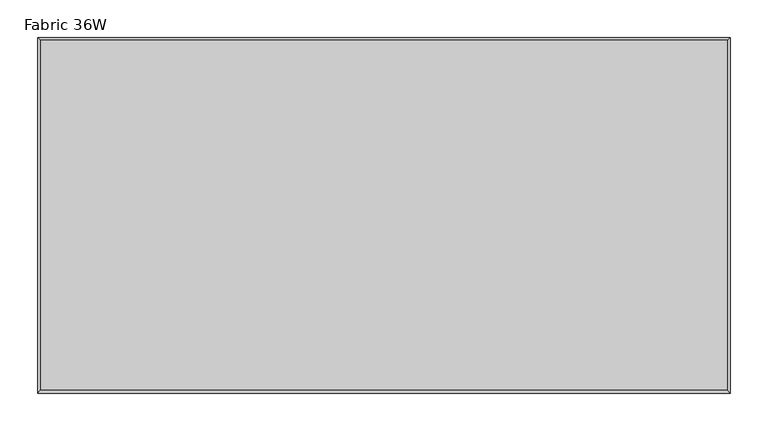
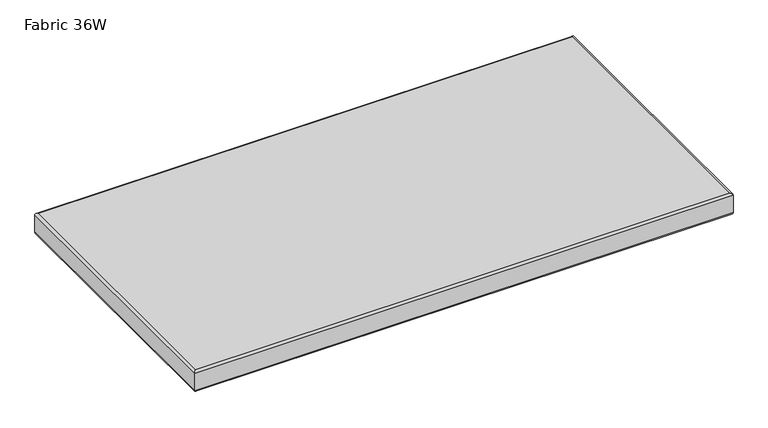
"""IFC4 building model written with IfcOpenShell, lengths in millimetres: furniture geometry, Fabric 36W."""

import ifcopenshell
import ifcopenshell.guid

model = None  # the IFC model being written
_history = None  # IfcOwnerHistory: only IFC2X3 demands one
_inside = {}  # id of a spatial element -> (the spatial element, [elements in it])
_under = {}  # id of a project, library or spatial element -> (it, [spatial elements below it])
_declared = {}  # id of a project -> (the project, [libraries it declares])
_typed = {}  # id of a type object -> (the type object, [elements of that type])
_made_of = {}  # id of a material, layer set ... -> (it, [elements and type objects made of it])


def new_model(schema):
    """Start an empty IFC model of exactly this schema.

    Asked for "IFC4X3", IfcOpenShell would pick the latest addendum, in which some entities
    have other attributes; the version numbers below select the first issue.
    IFC2X3 requires an IfcOwnerHistory on every rooted entity: one is made here for all.
    """
    global model, _history
    if schema == "IFC4X3":
        model = ifcopenshell.file(schema_version=(4, 3, 0, 0))
    else:
        model = ifcopenshell.file(schema=schema)
    _inside.clear()
    _under.clear()
    _declared.clear()
    _typed.clear()
    _made_of.clear()
    _history = None
    if model.schema == "IFC2X3":
        org = make("IfcOrganization", Name="unknown")
        user = make(
            "IfcPersonAndOrganization",
            ThePerson=make("IfcPerson", FamilyName="unknown"),
            TheOrganization=org,
        )
        app = make(
            "IfcApplication",
            ApplicationDeveloper=org,
            Version="unknown",
            ApplicationFullName="unknown",
            ApplicationIdentifier="unknown",
        )
        _history = make(
            "IfcOwnerHistory",
            OwningUser=user,
            OwningApplication=app,
            ChangeAction="ADDED",
            CreationDate=0,
        )
    return model


def make(cls, **values):
    """One entity of the class cls with the attributes given. An attribute that is None is left unset."""
    return model.create_entity(
        cls, **{name: value for name, value in values.items() if value is not None}
    )


def rooted(cls, **values):
    """An entity with a GlobalId (a new one), such as an element, a storey or a relation."""
    return make(cls, GlobalId=ifcopenshell.guid.new(), OwnerHistory=_history, **values)


def si_unit(unit_type, name, prefix=None):
    """IfcSIUnit, for example si_unit("LENGTHUNIT", "METRE", prefix="MILLI")."""
    return make("IfcSIUnit", UnitType=unit_type, Prefix=prefix, Name=name)


def assignment(units):
    """IfcUnitAssignment: the units of a project."""
    return None if units is None else make("IfcUnitAssignment", Units=units)


def point(xyz):
    """IfcCartesianPoint."""
    return None if xyz is None else make("IfcCartesianPoint", Coordinates=xyz)


def direction(xyz):
    """IfcDirection."""
    return None if xyz is None else make("IfcDirection", DirectionRatios=xyz)


def frame(location, z_axis=None, x_axis=None):
    """IfcAxis2Placement3D, a coordinate frame: its origin and axes. An axis left out is left unset."""
    return make(
        "IfcAxis2Placement3D",
        Location=point(location),
        Axis=direction(z_axis),
        RefDirection=direction(x_axis),
    )


def origin():
    """The frame at (0, 0, 0) with its axes left unset."""
    return frame((0.0, 0.0, 0.0))


def place(relative_to, where):
    """IfcLocalPlacement: puts the frame where relative to a parent placement (None: the world)."""
    return make(
        "IfcLocalPlacement", PlacementRelTo=relative_to, RelativePlacement=where
    )


def context(
    kind, dimensions, precision=None, world=None, true_north=None, identifier=None
):
    """IfcGeometricRepresentationContext, for example the 3D "Model" context."""
    return make(
        "IfcGeometricRepresentationContext",
        ContextIdentifier=identifier,
        ContextType=kind,
        CoordinateSpaceDimension=dimensions,
        Precision=precision,
        WorldCoordinateSystem=world,
        TrueNorth=true_north,
    )


def project(units=None, contexts=None):
    """IfcProject with its units and contexts."""
    return rooted(
        "IfcProject",
        Name="project",
        RepresentationContexts=contexts,
        UnitsInContext=assignment(units),
    )


def spatial(cls, under=None, at=None, **own):
    """A site, building, storey or space (cls), placed at a placement, below another one or the project."""
    s = rooted(cls, ObjectPlacement=at, **own)
    if under is not None:
        _under.setdefault(under.id(), (under, []))[1].append(s)
    return s


def ellipse_curve(where, semi_axis1, semi_axis2):
    """IfcEllipse in the frame where."""
    return make(
        "IfcEllipse", Position=where, SemiAxis1=semi_axis1, SemiAxis2=semi_axis2
    )


def shape(context_of_items, identifier, shape_type, items):
    """IfcShapeRepresentation: the items that make up one representation, for example the "Body"."""
    return make(
        "IfcShapeRepresentation",
        ContextOfItems=context_of_items,
        RepresentationIdentifier=identifier,
        RepresentationType=shape_type,
        Items=items,
    )


def source(mapping_origin, context_of_items, identifier, shape_type, items):
    """IfcRepresentationMap: a shape defined once, which mapped items show again and again."""
    return make(
        "IfcRepresentationMap",
        MappingOrigin=mapping_origin,
        MappedRepresentation=shape(context_of_items, identifier, shape_type, items),
    )


def transform(
    local_origin,
    x_axis=None,
    y_axis=None,
    z_axis=None,
    scale=None,
    scale2=None,
    scale3=None,
    uniform=True,
):
    """IfcCartesianTransformationOperator3D, or its non-uniform kind. x_axis, y_axis, z_axis: its Axis1, 2, 3."""
    if uniform:
        return make(
            "IfcCartesianTransformationOperator3D",
            Axis1=direction(x_axis),
            Axis2=direction(y_axis),
            LocalOrigin=point(local_origin),
            Scale=scale,
            Axis3=direction(z_axis),
        )
    return make(
        "IfcCartesianTransformationOperator3DnonUniform",
        Axis1=direction(x_axis),
        Axis2=direction(y_axis),
        LocalOrigin=point(local_origin),
        Scale=scale,
        Axis3=direction(z_axis),
        Scale2=scale2,
        Scale3=scale3,
    )


def mapped(mapping_source, mapping_target):
    """IfcMappedItem: shows the shape of a source again, moved by a transform."""
    return make(
        "IfcMappedItem", MappingSource=mapping_source, MappingTarget=mapping_target
    )


def made_of(thing, what):
    """Note that an element or type object is made of a material, layer set ...; save() writes the relation."""
    if what is not None:
        _made_of.setdefault(what.id(), (what, []))[1].append(thing)
    return thing


def element(
    cls,
    number,
    at=None,
    inside=None,
    cuts=None,
    type_object=None,
    material=None,
    context=None,
    identifier="Body",
    shape_type=None,
    held_by="IfcProductDefinitionShape",
    body=None,
    shapes=None,
    **own,
):
    """One element of the class cls, such as IfcWall. Its Tag is "e" and its number.

    at: its placement. inside: the storey or other place that contains it. cuts: it is an
    opening in that element (IfcRelVoidsElement). A single representation is given by context,
    identifier, shape_type and body (its items); several are given by shapes. held_by: the class
    of the entity that holds the representations. save() writes the other relations.
    """
    e = rooted(cls, Tag="e%d" % number, ObjectPlacement=at, **own)
    if body is not None:
        shapes = [shape(context, identifier, shape_type, body)]
    if shapes is not None:
        e.Representation = make(held_by, Representations=shapes)
    if inside is not None:
        _inside.setdefault(inside.id(), (inside, []))[1].append(e)
    if cuts is not None:
        rooted(
            "IfcRelVoidsElement", RelatingBuildingElement=cuts, RelatedOpeningElement=e
        )
    if type_object is not None:
        _typed.setdefault(type_object.id(), (type_object, []))[1].append(e)
    return made_of(e, material)


def aggregate(whole, parts):
    """IfcRelAggregates: a whole, such as a stair, and the parts it consists of."""
    return rooted("IfcRelAggregates", RelatingObject=whole, RelatedObjects=parts)


def save(model, path):
    """Write the relations noted so far, then the file.

    IfcRelAggregates (storeys below a building ...), IfcRelContainedInSpatialStructure (elements
    in a storey), IfcRelDefinesByType, IfcRelAssociatesMaterial and IfcRelDeclares: one each for
    every whole, place, type object, material and project.
    """
    for whole, parts in _under.values():
        aggregate(whole, parts)
    for where, things in _inside.values():
        rooted(
            "IfcRelContainedInSpatialStructure",
            RelatedElements=things,
            RelatingStructure=where,
        )
    for kind, things in _typed.values():
        rooted("IfcRelDefinesByType", RelatedObjects=things, RelatingType=kind)
    for what, things in _made_of.values():
        rooted("IfcRelAssociatesMaterial", RelatedObjects=things, RelatingMaterial=what)
    for by, libraries in _declared.values():
        rooted("IfcRelDeclares", RelatingContext=by, RelatedDefinitions=libraries)
    model.write(path)


def plane_surface(at):
    """IfcPlane: the flat surface through the origin of the frame at, square to its z axis."""
    return make("IfcPlane", Position=at)


def cylinder_surface(at, radius):
    """IfcCylindricalSurface: all points at the distance radius from the z axis of the frame at."""
    return make("IfcCylindricalSurface", Position=at, Radius=radius)


def advanced_brep(points, edges, surfaces, faces):
    """IfcAdvancedBrep: a solid bounded by faces that lie on surfaces and meet in shared edges.

    An edge is (start, end): straight between two places in points (the first is 0);
    or (start, end, curve); or (start, end, curve, False) where it runs against its curve.
    A face is (place in surfaces, loops), or (place, loops, False) where it looks against
    its surface's normal. A loop lists edges by number (the first is 1), with a minus sign
    where the edge is run from its end to its start. The first loop is the outer one.
    """
    corners = [point(p) for p in points]
    vertices = [make("IfcVertexPoint", VertexGeometry=c) for c in corners]
    made = []
    for start, end, *more in edges:
        made.append(
            make(
                "IfcEdgeCurve",
                EdgeStart=vertices[start],
                EdgeEnd=vertices[end],
                EdgeGeometry=more[0] if more else make("IfcPolyline", Points=[corners[start], corners[end]]),
                SameSense=more[1] if len(more) > 1 else True,
            )
        )
    hull = []
    for where, loops, *sense in faces:
        bounds = []
        for j, loop in enumerate(loops):
            ring = [make("IfcOrientedEdge", EdgeElement=made[abs(k) - 1], Orientation=k > 0) for k in loop]
            bounds.append(
                make(
                    "IfcFaceOuterBound" if j == 0 else "IfcFaceBound",
                    Bound=make("IfcEdgeLoop", EdgeList=ring),
                    Orientation=True,
                )
            )
        hull.append(make("IfcAdvancedFace", Bounds=bounds, FaceSurface=surfaces[where], SameSense=sense[0] if sense else True))
    return make("IfcAdvancedBrep", Outer=make("IfcClosedShell", CfsFaces=hull))


def fabric_36w_ca7fa3e6(model_context):
    return source(origin(), model_context, "Body", "AdvancedBrep", [
        advanced_brep(
        [(910.7694482, -3.6305518, 364.5948596), (914.4, 0.0, 368.2254114), (914.4, -469.8314238, 368.2254114), (910.7694482, -466.200872, 364.5948596), (914.4, 0.0, 399.2918397), (910.9969801, -3.4030199, 402.6948596), (910.9969801, -466.4284038, 402.6948596), (914.4, -469.8314238, 399.2918397), (0.0, -469.8314238, 368.2254114), (3.6305518, -466.200872, 364.5948596), (3.4030199, -466.4284038, 402.6948596), (0.0, -469.8314238, 399.2918397), (0.0, 0.0, 368.2254114), (3.6305518, -3.6305518, 364.5948596), (3.4030199, -3.4030199, 402.6948596), (0.0, 0.0, 399.2918397)],
        [
            (0, 1, ellipse_curve(frame((910.7694482, -3.6305518, 368.2254114), z_axis=(0.7071067811865475, -0.7071067811865475, 0.0), x_axis=(0.7071067811865474, 0.7071067811865476, 0.0)), 5.1343756, 3.6305518)),
            (1, 2),
            (2, 3, ellipse_curve(frame((910.7694482, -466.200872, 368.2254114), z_axis=(0.7071067811865475, 0.7071067811865475, 0.0), x_axis=(-0.7071067811865474, 0.7071067811865476, 0.0)), 5.1343756, 3.6305518)),
            (3, 0),
            (4, 5, ellipse_curve(frame((910.9969801, -3.4030199, 399.2918397), z_axis=(0.7071067811865475, -0.7071067811865475, 0.0), x_axis=(0.7071067811865474, 0.7071067811865476, 0.0)), 4.812597, 3.4030199)),
            (5, 6),
            (6, 7, ellipse_curve(frame((910.9969801, -466.4284038, 399.2918397), z_axis=(0.7071067811865475, 0.7071067811865475, 0.0), x_axis=(-0.7071067811865474, 0.7071067811865476, 0.0)), 4.812597, 3.4030199)),
            (7, 4),
            (1, 4),
            (7, 2),
            (2, 8),
            (8, 9, ellipse_curve(frame((3.6305518, -466.200872, 368.2254114), z_axis=(0.7071067811865475, -0.7071067811865475, 0.0), x_axis=(0.7071067811865476, 0.7071067811865474, 0.0)), 5.1343756, 3.6305518)),
            (9, 3),
            (6, 10),
            (10, 11, ellipse_curve(frame((3.4030199, -466.4284038, 399.2918397), z_axis=(0.7071067811865475, -0.7071067811865475, 0.0), x_axis=(0.7071067811865476, 0.7071067811865474, 0.0)), 4.812597, 3.4030199)),
            (11, 7),
            (11, 8),
            (8, 12),
            (12, 13, ellipse_curve(frame((3.6305518, -3.6305518, 368.2254114), z_axis=(-0.7071067811865475, -0.7071067811865475, 0.0), x_axis=(0.7071067811865474, -0.7071067811865476, 0.0)), 5.1343756, 3.6305518)),
            (13, 9),
            (10, 14),
            (14, 15, ellipse_curve(frame((3.4030199, -3.4030199, 399.2918397), z_axis=(-0.7071067811865475, -0.7071067811865475, 0.0), x_axis=(0.7071067811865474, -0.7071067811865476, 0.0)), 4.812597, 3.4030199)),
            (15, 11),
            (15, 12),
            (0, 13),
            (12, 1),
            (5, 14),
            (4, 15),
        ],
        [
            cylinder_surface(frame((910.7694482, 0.0, 368.2254114), z_axis=(0.0, 1.0, 0.0), x_axis=(1.0, 0.0, 0.0)), 3.6305518),
            cylinder_surface(frame((910.9969801, 0.0, 399.2918397), z_axis=(0.0, 1.0, 0.0), x_axis=(1.0, 0.0, 0.0)), 3.4030199),
            plane_surface(frame((914.4, 0.0, 399.2918397), z_axis=(1.0, 0.0, 0.0), x_axis=(0.0, -1.0, 0.0))),
            cylinder_surface(frame((914.4, -466.200872, 368.2254114), z_axis=(1.0, 0.0, 0.0), x_axis=(0.0, -1.0, 0.0)), 3.6305518),
            cylinder_surface(frame((914.4, -466.4284038, 399.2918397), z_axis=(1.0, 0.0, 0.0), x_axis=(0.0, -1.0, 0.0)), 3.4030199),
            plane_surface(frame((914.4, -469.8314238, 399.2918397), z_axis=(0.0, -1.0, 0.0), x_axis=(-1.0, 0.0, 0.0))),
            cylinder_surface(frame((3.6305518, -469.8314238, 368.2254114), z_axis=(0.0, -1.0, 0.0), x_axis=(-1.0, 0.0, 0.0)), 3.6305518),
            cylinder_surface(frame((3.4030199, -469.8314238, 399.2918397), z_axis=(0.0, -1.0, 0.0), x_axis=(-1.0, 0.0, 0.0)), 3.4030199),
            plane_surface(frame((0.0, -469.8314238, 399.2918397), z_axis=(-1.0, 0.0, 0.0), x_axis=(0.0, 1.0, 0.0))),
            cylinder_surface(frame((0.0, -3.6305518, 368.2254114), z_axis=(-1.0, 0.0, 0.0), x_axis=(0.0, 1.0, 0.0)), 3.6305518),
            plane_surface(frame((3.6305518, -3.6305518, 364.5948596), z_axis=(0.0, 0.0, -1.0), x_axis=(1.0, 0.0, 0.0))),
            plane_surface(frame((20.8765509, -20.8765509, 402.6948596), z_axis=(0.0, 0.0, 1.0), x_axis=(1.0, 0.0, 0.0))),
            cylinder_surface(frame((0.0, -3.4030199, 399.2918397), z_axis=(-1.0, 0.0, 0.0), x_axis=(0.0, 1.0, 0.0)), 3.4030199),
            plane_surface(frame((0.0, 0.0, 399.2918397), z_axis=(0.0, 1.0, 0.0), x_axis=(1.0, 0.0, 0.0))),
        ],
        [
            (0, [[1, 2, 3, 4]]),
            (1, [[5, 6, 7, 8]]),
            (2, [[-2, 9, -8, 10]]),
            (3, [[-3, 11, 12, 13]]),
            (4, [[-7, 14, 15, 16]]),
            (5, [[-10, -16, 17, -11]]),
            (6, [[-12, 18, 19, 20]]),
            (7, [[-15, 21, 22, 23]]),
            (8, [[-17, -23, 24, -18]]),
            (9, [[-1, 25, -19, 26]]),
            (10, [[-4, -13, -20, -25]]),
            (11, [[-6, 27, -21, -14]]),
            (12, [[-5, 28, -22, -27]]),
            (13, [[-9, -26, -24, -28]]),
        ],
    ),
    ])


if __name__ == "__main__":
    model = new_model("IFC4")
    model_context = context("Model", 3, world=origin())
    ifc_project = project(units=[si_unit("LENGTHUNIT", "METRE", prefix="MILLI")], contexts=[model_context])
    site = spatial("IfcSite", under=ifc_project)
    building = spatial("IfcBuilding", under=site)
    placement = place(None, origin())
    fabric_36w_shape = fabric_36w_ca7fa3e6(model_context)
    element("IfcFurniture", 1, ObjectType="Fabric 36W", at=placement, inside=building, context=model_context, shape_type="MappedRepresentation", body=[
        mapped(fabric_36w_shape, transform((0.0, 0.0, 0.0), x_axis=(1.0, 0.0, 0.0), y_axis=(0.0, 1.0, 0.0), z_axis=(0.0, 0.0, 1.0))),
    ])
    save(model, "model.ifc")
